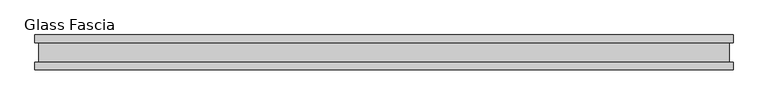
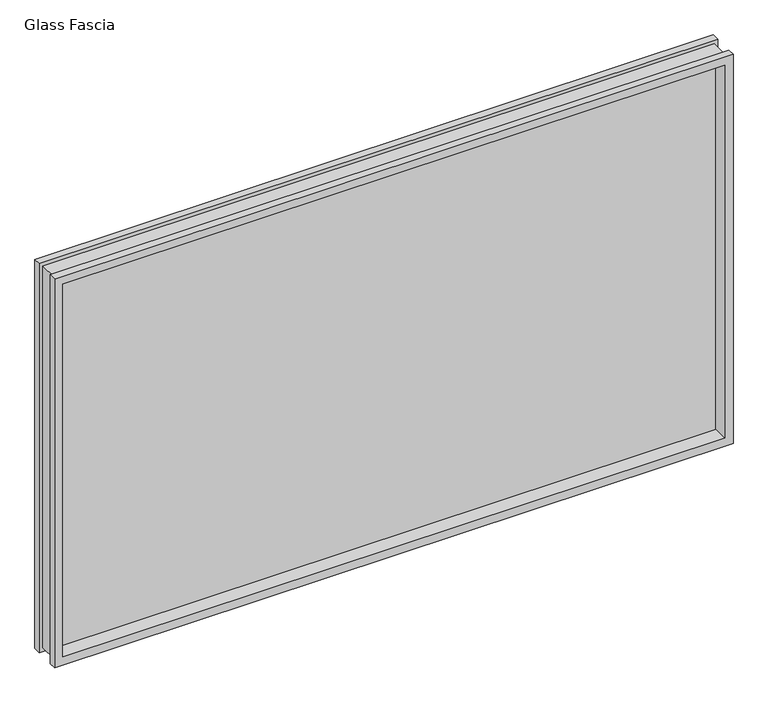
"""IFC4 building model written with IfcOpenShell, lengths in millimetres: proxy geometry, Glass Fascia."""

from ifc_helpers import new_model, si_unit, frame, origin, place, context, project, spatial, polyline, outline, extrude, faceted_brep, source, transform, mapped, element, save


def glass_fascia_9f460d6d(model_context):
    return source(origin(), model_context, "Body", "SolidModel", [
        faceted_brep([(985.6995219, -5.0827449, 1201.5625243), (985.6995219, 5.0827449, 1201.5625243), (985.6995219, 5.0827449, 17.6374757), (985.6995219, -5.0827449, 17.6374757), (1000.1619976, -28.8801202, 1216.025), (1000.1619976, -50.0558594, 1216.025), (1000.1619976, -50.0558594, 3.175), (1000.1619976, -28.8801202, 3.175), (989.3369977, 28.2698798, 1205.2000001), (989.3369977, -28.8801202, 1205.2000001), (989.3369977, -28.8801202, 13.9999999), (989.3369977, 28.2698798, 13.9999999), (1000.1619976, 50.0558594, 1216.025), (1000.1619976, 28.2698798, 1216.025), (1000.1619976, 28.2698798, 3.175), (1000.1619976, 50.0558594, 3.175), (-985.6995219, 5.0827449, 17.6374757), (-985.6995219, -5.0827449, 17.6374757), (-1000.1619976, -50.0558594, 3.175), (-1000.1619976, -28.8801202, 3.175), (-989.3369977, -28.8801202, 13.9999999), (-989.3369977, 28.2698798, 13.9999999), (-1000.1619976, 28.2698798, 3.175), (-1000.1619976, 50.0558594, 3.175), (-985.6995219, 5.0827449, 1201.5625243), (-985.6995219, -5.0827449, 1201.5625243), (-1000.1619976, -50.0558594, 1216.025), (-1000.1619976, -28.8801202, 1216.025), (-989.3369977, -28.8801202, 1205.2000001), (-989.3369977, 28.2698798, 1205.2000001), (-1000.1619976, 28.2698798, 1216.025), (-1000.1619976, 50.0558594, 1216.025), (975.2093308, 50.0558594, 1191.0723332), (-975.2093308, 50.0558594, 1191.0723332), (-975.2093308, 50.0558594, 28.1276668), (975.2093308, 50.0558594, 28.1276668), (975.2093308, 5.0827449, 28.1276668), (-975.2093308, 5.0827449, 28.1276668), (-975.2093308, 5.0827449, 1191.0723332), (975.2093308, 5.0827449, 1191.0723332), (975.2093308, -5.0827449, 1191.0723332), (-975.2093308, -5.0827449, 1191.0723332), (-975.2093308, -5.0827449, 28.1276668), (975.2093308, -5.0827449, 28.1276668), (975.2093308, -50.0558594, 28.1276668), (-975.2093308, -50.0558594, 28.1276668), (-975.2093308, -50.0558594, 1191.0723332), (975.2093308, -50.0558594, 1191.0723332)], [[[0, 1, 2, 3]], [[4, 5, 6, 7]], [[8, 9, 10, 11]], [[12, 13, 14, 15]], [[3, 2, 16, 17]], [[7, 6, 18, 19]], [[11, 10, 20, 21]], [[15, 14, 22, 23]], [[17, 16, 24, 25]], [[19, 18, 26, 27]], [[21, 20, 28, 29]], [[23, 22, 30, 31]], [[15, 23, 31, 12], [32, 33, 34, 35]], [[1, 24, 16, 2], [36, 37, 38, 39]], [[25, 24, 1, 0]], [[3, 17, 25, 0], [40, 41, 42, 43]], [[5, 26, 18, 6], [44, 45, 46, 47]], [[27, 26, 5, 4]], [[7, 19, 27, 4], [9, 28, 20, 10]], [[29, 28, 9, 8]], [[13, 30, 22, 14], [11, 21, 29, 8]], [[31, 30, 13, 12]], [[39, 32, 35, 36]], [[47, 40, 43, 44]], [[36, 35, 34, 37]], [[44, 43, 42, 45]], [[37, 34, 33, 38]], [[45, 42, 41, 46]], [[38, 33, 32, 39]], [[46, 41, 40, 47]]]),
        extrude(outline(polyline([(985.6995219, 2.9765625), (985.6995219, -2.9765625), (-985.6995219, -2.9765625), (-985.6995219, 2.9765625), (985.6995219, 2.9765625)])), frame((0.0, 0.0, 17.6374757), z_axis=(0.0, 0.0, 1.0), x_axis=(1.0, 0.0, 0.0)), (0.0, 0.0, 1.0), 1183.9250485),
    ])


if __name__ == "__main__":
    model = new_model("IFC4")
    model_context = context("Model", 3, world=origin())
    ifc_project = project(units=[si_unit("LENGTHUNIT", "METRE", prefix="MILLI")], contexts=[model_context])
    site = spatial("IfcSite", under=ifc_project)
    building = spatial("IfcBuilding", under=site)
    placement = place(None, origin())
    glass_fascia_shape = glass_fascia_9f460d6d(model_context)
    element("IfcBuildingElementProxy", 1, Name="Glass Fascia", ObjectType="Glass Fascia", at=placement, inside=building, context=model_context, shape_type="MappedRepresentation", body=[
        mapped(glass_fascia_shape, transform((0.0, 0.0, 0.0), x_axis=(1.0, 0.0, 0.0), y_axis=(0.0, 1.0, 0.0), z_axis=(0.0, 0.0, 1.0))),
    ])
    save(model, "model.ifc")
